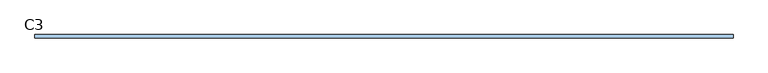
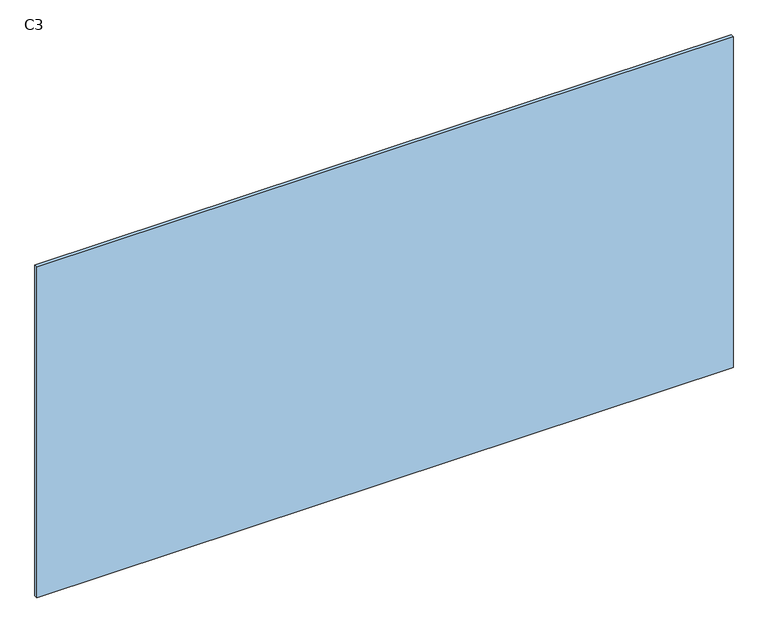
"""IFC4 building model written with IfcOpenShell, lengths in millimetres: window geometry, C3."""

from ifc_helpers import new_model, si_unit, frame, origin, place, context, project, spatial, polyline, outline, extrude, source, transform, mapped, element, save


def c3_e8978e36(model_context):
    return source(origin(), model_context, "Body", "SweptSolid", [
        extrude(outline(polyline([(995.0, -5.0), (-995.0, -5.0), (-995.0, 5.0), (995.0, 5.0), (995.0, -5.0)])), frame((0.0, 0.0, 800.0), z_axis=(0.0, 0.0, 1.0), x_axis=(1.0, 0.0, 0.0)), (0.0, 0.0, 1.0), 1000.0),
    ])


if __name__ == "__main__":
    model = new_model("IFC4")
    model_context = context("Model", 3, world=origin())
    ifc_project = project(units=[si_unit("LENGTHUNIT", "METRE", prefix="MILLI")], contexts=[model_context])
    site = spatial("IfcSite", under=ifc_project)
    building = spatial("IfcBuilding", under=site)
    placement = place(None, origin())
    c3_shape = c3_e8978e36(model_context)
    element("IfcWindow", 1, ObjectType="C3", at=placement, inside=building, context=model_context, shape_type="MappedRepresentation", body=[
        mapped(c3_shape, transform((0.0, 0.0, 0.0), x_axis=(1.0, 0.0, 0.0), y_axis=(0.0, 1.0, 0.0), z_axis=(0.0, 0.0, 1.0))),
    ])
    save(model, "model.ifc")
